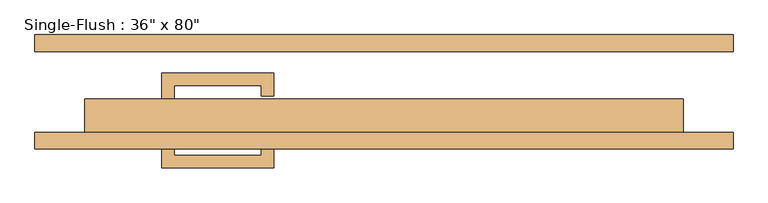
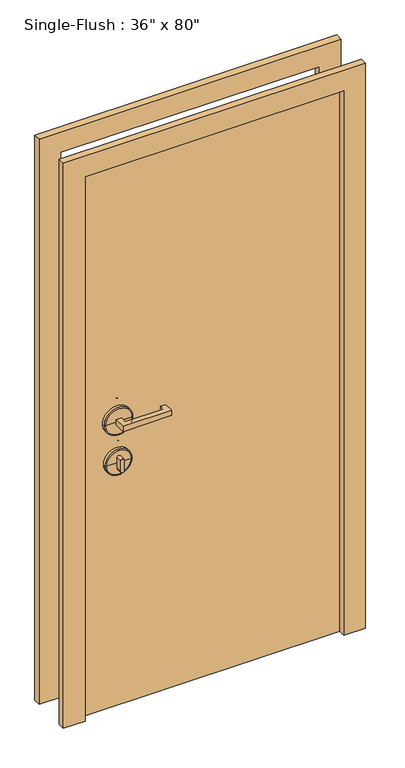
"""IFC4 building model written with IfcOpenShell, lengths in millimetres: door geometry."""

from ifc_helpers import new_model, si_unit, point, frame, frame_2d, origin, origin_with_axes, place, context, project, spatial, polyline, circle_curve, ellipse_curve, trimmed, segment, composite_curve, outline, extrude, source, transform, mapped, element, save
from ifc_brep_helpers import plane_surface, cylinder_surface, revolved_surface, advanced_brep


def door_b8997345(model_context):
    return source(origin(), model_context, "Body", "SolidModel", [
        extrude(outline(polyline([(-320.675, -12.7), (-339.725, -12.7), (-339.725, 28.575), (-168.275, 28.575), (-168.275, -6.35), (-187.325, -6.35), (-187.325, 9.525), (-320.675, 9.525), (-320.675, -12.7)])), frame((0.0, 0.0, 1057.275), z_axis=(0.0, 0.0, 1.0), x_axis=(1.0, 0.0, 0.0)), (0.0, 0.0, 1.0), 19.05),
        extrude(outline(composite_curve([segment(trimmed(circle_curve(frame_2d((895.35, -330.2)), 6.35), [point((895.35, -336.55))], [point((895.35, -323.85))], False, "CARTESIAN"), True, "CONTINUOUS"), segment(polyline([(895.35, -323.85), (933.45, -323.85)]), True, "CONTINUOUS"), segment(trimmed(circle_curve(frame_2d((933.45, -330.2)), 6.35), [point((933.45, -323.85))], [point((933.45, -336.55))], False, "CARTESIAN"), True, "CONTINUOUS"), segment(polyline([(933.45, -336.55), (895.35, -336.55)]), True, "CONTINUOUS")], self_intersect=False)), frame((0.0, -12.7, 0.0), z_axis=(0.0, 1.0, 0.0), x_axis=(0.0, 0.0, 1.0)), (0.0, 0.0, 1.0), 22.225),
        advanced_brep(
        [(-282.575, -15.875, 914.4), (-377.825, -15.875, 914.4), (-377.825, -25.4, 914.4), (-282.575, -25.4, 914.4), (-285.75, -12.7, 914.4), (-374.65, -12.7, 914.4), (-330.2, -12.7, 914.4), (-330.2, -25.4, 914.4)],
        [
            (0, 1, circle_curve(frame((-330.2, -15.875, 914.4), z_axis=(0.0, -1.0, 0.0), x_axis=(-1.0, 0.0, 0.0)), 47.625)),
            (1, 2),
            (2, 3, circle_curve(frame((-330.2, -25.4, 914.4), z_axis=(0.0, 1.0, 0.0), x_axis=(-1.0, 0.0, 0.0)), 47.625)),
            (3, 0),
            (1, 0, circle_curve(frame((-330.2, -15.875, 914.4), z_axis=(0.0, -1.0, 0.0), x_axis=(-1.0, 0.0, 0.0)), 47.625)),
            (3, 2, circle_curve(frame((-330.2, -25.4, 914.4), z_axis=(0.0, 1.0, 0.0), x_axis=(-1.0, 0.0, 0.0)), 47.625)),
            (4, 5, circle_curve(frame((-330.2, -12.7, 914.4), z_axis=(0.0, -1.0, 0.0), x_axis=(-1.0, 0.0, 0.0)), 44.45)),
            (5, 1, circle_curve(frame((-374.65, -15.875, 914.4), z_axis=(0.0, 0.0, 1.0), x_axis=(1.0, 0.0, 0.0)), 3.175)),
            (0, 4, circle_curve(frame((-285.75, -15.875, 914.4), z_axis=(0.0, 0.0, 1.0), x_axis=(-1.0, 0.0, 0.0)), 3.175)),
            (5, 4, circle_curve(frame((-330.2, -12.7, 914.4), z_axis=(0.0, -1.0, 0.0), x_axis=(-1.0, 0.0, 0.0)), 44.45)),
            (6, 5),
            (4, 6),
            (2, 7),
            (7, 3),
        ],
        [
            cylinder_surface(frame((-330.2, -152.4, 914.4), z_axis=(0.0, 1.0, 0.0), x_axis=(-1.0, 0.0, 0.0)), 47.625),
            revolved_surface(trimmed(ellipse_curve(frame((-374.65, -15.875, 914.4), z_axis=(0.0, 0.0, -1.0), x_axis=(1.0, 0.0, 0.0)), 3.175, 3.175), [point((-377.825, -15.875, 914.4))], [point((-374.65, -12.7, 914.4))], True, "CARTESIAN"), (-330.2, -152.4, 914.4), (0.0, 1.0, 0.0)),
            plane_surface(frame((-330.2, -12.7, 914.4), z_axis=(0.0, 1.0, 0.0), x_axis=(-1.0, 0.0, 0.0))),
            plane_surface(frame((-330.2, -25.4, 914.4), z_axis=(0.0, -1.0, 0.0), x_axis=(-1.0, 0.0, 0.0))),
        ],
        [
            (0, [[1, 2, 3, 4]]),
            (0, [[5, -4, 6, -2]]),
            (1, [[7, 8, -1, 9]]),
            (1, [[10, -9, -5, -8]]),
            (2, [[11, -7, 12]]),
            (2, [[-12, -10, -11]]),
            (3, [[-3, 13, 14]]),
            (3, [[-6, -14, -13]]),
        ],
    ),
        advanced_brep(
        [(-279.4, -15.875, 1066.8), (-381.0, -15.875, 1066.8), (-381.0, -25.4, 1066.8), (-279.4, -25.4, 1066.8), (-282.575, -12.7, 1066.8), (-377.825, -12.7, 1066.8), (-330.2, -12.7, 1066.8), (-330.2, -25.4, 1066.8)],
        [
            (0, 1, circle_curve(frame((-330.2, -15.875, 1066.8), z_axis=(0.0, -1.0, 0.0), x_axis=(-1.0, 0.0, 0.0)), 50.8)),
            (1, 2),
            (2, 3, circle_curve(frame((-330.2, -25.4, 1066.8), z_axis=(0.0, 1.0, 0.0), x_axis=(-1.0, 0.0, 0.0)), 50.8)),
            (3, 0),
            (1, 0, circle_curve(frame((-330.2, -15.875, 1066.8), z_axis=(0.0, -1.0, 0.0), x_axis=(-1.0, 0.0, 0.0)), 50.8)),
            (3, 2, circle_curve(frame((-330.2, -25.4, 1066.8), z_axis=(0.0, 1.0, 0.0), x_axis=(-1.0, 0.0, 0.0)), 50.8)),
            (4, 5, circle_curve(frame((-330.2, -12.7, 1066.8), z_axis=(0.0, -1.0, 0.0), x_axis=(-1.0, 0.0, 0.0)), 47.625)),
            (5, 1, circle_curve(frame((-377.825, -15.875, 1066.8), z_axis=(0.0, 0.0, 1.0), x_axis=(1.0, 0.0, 0.0)), 3.175)),
            (0, 4, circle_curve(frame((-282.575, -15.875, 1066.8), z_axis=(0.0, 0.0, 1.0), x_axis=(-1.0, 0.0, 0.0)), 3.175)),
            (5, 4, circle_curve(frame((-330.2, -12.7, 1066.8), z_axis=(0.0, -1.0, 0.0), x_axis=(-1.0, 0.0, 0.0)), 47.625)),
            (6, 5),
            (4, 6),
            (2, 7),
            (7, 3),
        ],
        [
            cylinder_surface(frame((-330.2, -152.4, 1066.8), z_axis=(0.0, 1.0, 0.0), x_axis=(-1.0, 0.0, 0.0)), 50.8),
            revolved_surface(trimmed(ellipse_curve(frame((-377.825, -15.875, 1066.8), z_axis=(0.0, 0.0, -1.0), x_axis=(1.0, 0.0, 0.0)), 3.175, 3.175), [point((-381.0, -15.875, 1066.8))], [point((-377.825, -12.7, 1066.8))], True, "CARTESIAN"), (-330.2, -152.4, 1066.8), (0.0, 1.0, 0.0)),
            plane_surface(frame((-330.2, -12.7, 1066.8), z_axis=(0.0, 1.0, 0.0), x_axis=(-1.0, 0.0, 0.0))),
            plane_surface(frame((-330.2, -25.4, 1066.8), z_axis=(0.0, -1.0, 0.0), x_axis=(-1.0, 0.0, 0.0))),
        ],
        [
            (0, [[1, 2, 3, 4]]),
            (0, [[5, -4, 6, -2]]),
            (1, [[7, 8, -1, 9]]),
            (1, [[10, -9, -5, -8]]),
            (2, [[11, -7, 12]]),
            (2, [[-12, -10, -11]]),
            (3, [[-3, 13, 14]]),
            (3, [[-6, -14, -13]]),
        ],
    ),
        extrude(outline(polyline([(-320.675, -74.6125), (-320.675, -96.8375), (-187.325, -96.8375), (-187.325, -80.9625), (-168.275, -80.9625), (-168.275, -115.8875), (-339.725, -115.8875), (-339.725, -74.6125), (-320.675, -74.6125)])), frame((0.0, 0.0, 1057.275), z_axis=(0.0, 0.0, 1.0), x_axis=(1.0, 0.0, 0.0)), (0.0, 0.0, 1.0), 19.05),
        extrude(outline(composite_curve([segment(trimmed(circle_curve(frame_2d((895.35, -330.2)), 6.35), [point((895.35, -336.55))], [point((895.35, -323.85))], False, "CARTESIAN"), True, "CONTINUOUS"), segment(polyline([(895.35, -323.85), (933.45, -323.85)]), True, "CONTINUOUS"), segment(trimmed(circle_curve(frame_2d((933.45, -330.2)), 6.35), [point((933.45, -323.85))], [point((933.45, -336.55))], False, "CARTESIAN"), True, "CONTINUOUS"), segment(polyline([(933.45, -336.55), (895.35, -336.55)]), True, "CONTINUOUS")], self_intersect=False)), frame((0.0, -96.8375, 0.0), z_axis=(0.0, 1.0, 0.0), x_axis=(0.0, 0.0, 1.0)), (0.0, 0.0, 1.0), 22.225),
        advanced_brep(
        [(-282.575, -71.4375, 914.4), (-282.575, -61.9125, 914.4), (-377.825, -61.9125, 914.4), (-377.825, -71.4375, 914.4), (-285.75, -74.6125, 914.4), (-374.65, -74.6125, 914.4), (-330.2, -74.6125, 914.4), (-330.2, -61.9125, 914.4)],
        [
            (0, 1),
            (1, 2, circle_curve(frame((-330.2, -61.9125, 914.4), z_axis=(0.0, -1.0, 0.0), x_axis=(-1.0, 0.0, 0.0)), 47.625)),
            (2, 3),
            (3, 0, circle_curve(frame((-330.2, -71.4375, 914.4), z_axis=(0.0, 1.0, 0.0), x_axis=(-1.0, 0.0, 0.0)), 47.625)),
            (2, 1, circle_curve(frame((-330.2, -61.9125, 914.4), z_axis=(0.0, -1.0, 0.0), x_axis=(-1.0, 0.0, 0.0)), 47.625)),
            (0, 3, circle_curve(frame((-330.2, -71.4375, 914.4), z_axis=(0.0, 1.0, 0.0), x_axis=(-1.0, 0.0, 0.0)), 47.625)),
            (4, 0, circle_curve(frame((-285.75, -71.4375, 914.4), z_axis=(0.0, 0.0, 1.0), x_axis=(-1.0, 0.0, 0.0)), 3.175)),
            (3, 5, circle_curve(frame((-374.65, -71.4375, 914.4), z_axis=(0.0, 0.0, 1.0), x_axis=(1.0, 0.0, 0.0)), 3.175)),
            (5, 4, circle_curve(frame((-330.2, -74.6125, 914.4), z_axis=(0.0, 1.0, 0.0), x_axis=(-1.0, 0.0, 0.0)), 44.45)),
            (4, 5, circle_curve(frame((-330.2, -74.6125, 914.4), z_axis=(0.0, 1.0, 0.0), x_axis=(-1.0, 0.0, 0.0)), 44.45)),
            (6, 4),
            (5, 6),
            (1, 7),
            (7, 2),
        ],
        [
            cylinder_surface(frame((-330.2, 65.0875, 914.4), z_axis=(0.0, -1.0, 0.0), x_axis=(-1.0, 0.0, 0.0)), 47.625),
            revolved_surface(trimmed(ellipse_curve(frame((-374.65, -71.4375, 914.4), z_axis=(0.0, 0.0, 1.0), x_axis=(1.0, 0.0, 0.0)), 3.175, 3.175), [point((-377.825, -71.4375, 914.4))], [point((-374.65, -74.6125, 914.4))], True, "CARTESIAN"), (-330.2, 65.0875, 914.4), (0.0, -1.0, 0.0)),
            plane_surface(frame((-330.2, -74.6125, 914.4), z_axis=(0.0, -1.0, 0.0), x_axis=(-1.0, 0.0, 0.0))),
            plane_surface(frame((-330.2, -61.9125, 914.4), z_axis=(0.0, 1.0, 0.0), x_axis=(-1.0, 0.0, 0.0))),
        ],
        [
            (0, [[1, 2, 3, 4]]),
            (0, [[-3, 5, -1, 6]]),
            (1, [[7, -4, 8, 9]]),
            (1, [[-8, -6, -7, 10]]),
            (2, [[11, -9, 12]]),
            (2, [[-12, -10, -11]]),
            (3, [[13, 14, -2]]),
            (3, [[-14, -13, -5]]),
        ],
    ),
        advanced_brep(
        [(-279.4, -71.4375, 1066.8), (-279.4, -61.9125, 1066.8), (-381.0, -61.9125, 1066.8), (-381.0, -71.4375, 1066.8), (-282.575, -74.6125, 1066.8), (-377.825, -74.6125, 1066.8), (-330.2, -74.6125, 1066.8), (-330.2, -61.9125, 1066.8)],
        [
            (0, 1),
            (1, 2, circle_curve(frame((-330.2, -61.9125, 1066.8), z_axis=(0.0, -1.0, 0.0), x_axis=(-1.0, 0.0, 0.0)), 50.8)),
            (2, 3),
            (3, 0, circle_curve(frame((-330.2, -71.4375, 1066.8), z_axis=(0.0, 1.0, 0.0), x_axis=(-1.0, 0.0, 0.0)), 50.8)),
            (2, 1, circle_curve(frame((-330.2, -61.9125, 1066.8), z_axis=(0.0, -1.0, 0.0), x_axis=(-1.0, 0.0, 0.0)), 50.8)),
            (0, 3, circle_curve(frame((-330.2, -71.4375, 1066.8), z_axis=(0.0, 1.0, 0.0), x_axis=(-1.0, 0.0, 0.0)), 50.8)),
            (4, 0, circle_curve(frame((-282.575, -71.4375, 1066.8), z_axis=(0.0, 0.0, 1.0), x_axis=(-1.0, 0.0, 0.0)), 3.175)),
            (3, 5, circle_curve(frame((-377.825, -71.4375, 1066.8), z_axis=(0.0, 0.0, 1.0), x_axis=(1.0, 0.0, 0.0)), 3.175)),
            (5, 4, circle_curve(frame((-330.2, -74.6125, 1066.8), z_axis=(0.0, 1.0, 0.0), x_axis=(-1.0, 0.0, 0.0)), 47.625)),
            (4, 5, circle_curve(frame((-330.2, -74.6125, 1066.8), z_axis=(0.0, 1.0, 0.0), x_axis=(-1.0, 0.0, 0.0)), 47.625)),
            (6, 4),
            (5, 6),
            (1, 7),
            (7, 2),
        ],
        [
            cylinder_surface(frame((-330.2, 65.0875, 1066.8), z_axis=(0.0, -1.0, 0.0), x_axis=(-1.0, 0.0, 0.0)), 50.8),
            revolved_surface(trimmed(ellipse_curve(frame((-377.825, -71.4375, 1066.8), z_axis=(0.0, 0.0, 1.0), x_axis=(1.0, 0.0, 0.0)), 3.175, 3.175), [point((-381.0, -71.4375, 1066.8))], [point((-377.825, -74.6125, 1066.8))], True, "CARTESIAN"), (-330.2, 65.0875, 1066.8), (0.0, -1.0, 0.0)),
            plane_surface(frame((-330.2, -74.6125, 1066.8), z_axis=(0.0, -1.0, 0.0), x_axis=(-1.0, 0.0, 0.0))),
            plane_surface(frame((-330.2, -61.9125, 1066.8), z_axis=(0.0, 1.0, 0.0), x_axis=(-1.0, 0.0, 0.0))),
        ],
        [
            (0, [[1, 2, 3, 4]]),
            (0, [[-3, 5, -1, 6]]),
            (1, [[7, -4, 8, 9]]),
            (1, [[-8, -6, -7, 10]]),
            (2, [[11, -9, 12]]),
            (2, [[-12, -10, -11]]),
            (3, [[13, 14, -2]]),
            (3, [[-14, -13, -5]]),
        ],
    ),
        extrude(outline(polyline([(2108.2, -533.4), (0.0, -533.4), (0.0, -457.2), (2032.0, -457.2), (2032.0, 457.2), (0.0, 457.2), (0.0, 533.4), (2108.2, 533.4), (2108.2, -533.4)])), frame((0.0, -87.3125, 0.0), z_axis=(0.0, 1.0, 0.0), x_axis=(0.0, 0.0, 1.0)), (0.0, 0.0, 1.0), 25.4),
        extrude(outline(polyline([(2108.2, 533.4), (2108.2, -533.4), (0.0, -533.4), (0.0, -457.2), (2032.0, -457.2), (2032.0, 457.2), (0.0, 457.2), (0.0, 533.4), (2108.2, 533.4)])), frame((0.0, 61.9125, 0.0), z_axis=(0.0, 1.0, 0.0), x_axis=(0.0, 0.0, 1.0)), (0.0, 0.0, 1.0), 25.4),
        extrude(outline(polyline([(457.2, -11.1125), (457.2, -61.9125), (-457.2, -61.9125), (-457.2, -11.1125), (457.2, -11.1125)])), origin_with_axes(), (0.0, 0.0, 1.0), 2032.0),
    ])


if __name__ == "__main__":
    model = new_model("IFC4")
    model_context = context("Model", 3, world=origin())
    ifc_project = project(units=[si_unit("LENGTHUNIT", "METRE", prefix="MILLI")], contexts=[model_context])
    site = spatial("IfcSite", under=ifc_project)
    building = spatial("IfcBuilding", under=site)
    placement = place(None, origin())
    door_shape = door_b8997345(model_context)
    element("IfcDoor", 1, ObjectType="Single-Flush : 36\" x 80\"", at=placement, inside=building, context=model_context, shape_type="MappedRepresentation", body=[
        mapped(door_shape, transform((0.0, 0.0, 0.0), x_axis=(1.0, 0.0, 0.0), y_axis=(0.0, 1.0, 0.0), z_axis=(0.0, 0.0, 1.0))),
    ])
    save(model, "model.ifc")
